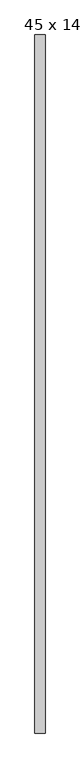
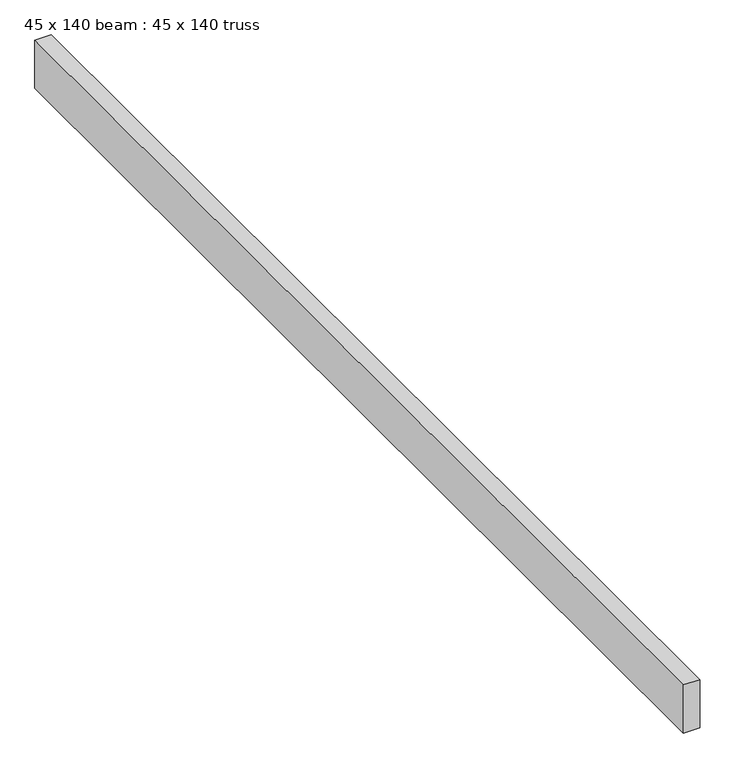
"""IFC4 building model written with IfcOpenShell, lengths in millimetres: proxy geometry, 45 x 140 beam : 45 x 140 truss."""

import ifcopenshell
import ifcopenshell.guid

model = None  # the IFC model being written
_history = None  # IfcOwnerHistory: only IFC2X3 demands one
_inside = {}  # id of a spatial element -> (the spatial element, [elements in it])
_under = {}  # id of a project, library or spatial element -> (it, [spatial elements below it])
_declared = {}  # id of a project -> (the project, [libraries it declares])
_typed = {}  # id of a type object -> (the type object, [elements of that type])
_made_of = {}  # id of a material, layer set ... -> (it, [elements and type objects made of it])


def new_model(schema):
    """Start an empty IFC model of exactly this schema.

    Asked for "IFC4X3", IfcOpenShell would pick the latest addendum, in which some entities
    have other attributes; the version numbers below select the first issue.
    IFC2X3 requires an IfcOwnerHistory on every rooted entity: one is made here for all.
    """
    global model, _history
    if schema == "IFC4X3":
        model = ifcopenshell.file(schema_version=(4, 3, 0, 0))
    else:
        model = ifcopenshell.file(schema=schema)
    _inside.clear()
    _under.clear()
    _declared.clear()
    _typed.clear()
    _made_of.clear()
    _history = None
    if model.schema == "IFC2X3":
        org = make("IfcOrganization", Name="unknown")
        user = make(
            "IfcPersonAndOrganization",
            ThePerson=make("IfcPerson", FamilyName="unknown"),
            TheOrganization=org,
        )
        app = make(
            "IfcApplication",
            ApplicationDeveloper=org,
            Version="unknown",
            ApplicationFullName="unknown",
            ApplicationIdentifier="unknown",
        )
        _history = make(
            "IfcOwnerHistory",
            OwningUser=user,
            OwningApplication=app,
            ChangeAction="ADDED",
            CreationDate=0,
        )
    return model


def make(cls, **values):
    """One entity of the class cls with the attributes given. An attribute that is None is left unset."""
    return model.create_entity(
        cls, **{name: value for name, value in values.items() if value is not None}
    )


def rooted(cls, **values):
    """An entity with a GlobalId (a new one), such as an element, a storey or a relation."""
    return make(cls, GlobalId=ifcopenshell.guid.new(), OwnerHistory=_history, **values)


def si_unit(unit_type, name, prefix=None):
    """IfcSIUnit, for example si_unit("LENGTHUNIT", "METRE", prefix="MILLI")."""
    return make("IfcSIUnit", UnitType=unit_type, Prefix=prefix, Name=name)


def assignment(units):
    """IfcUnitAssignment: the units of a project."""
    return None if units is None else make("IfcUnitAssignment", Units=units)


def point(xyz):
    """IfcCartesianPoint."""
    return None if xyz is None else make("IfcCartesianPoint", Coordinates=xyz)


def direction(xyz):
    """IfcDirection."""
    return None if xyz is None else make("IfcDirection", DirectionRatios=xyz)


def frame(location, z_axis=None, x_axis=None):
    """IfcAxis2Placement3D, a coordinate frame: its origin and axes. An axis left out is left unset."""
    return make(
        "IfcAxis2Placement3D",
        Location=point(location),
        Axis=direction(z_axis),
        RefDirection=direction(x_axis),
    )


def origin():
    """The frame at (0, 0, 0) with its axes left unset."""
    return frame((0.0, 0.0, 0.0))


def place(relative_to, where):
    """IfcLocalPlacement: puts the frame where relative to a parent placement (None: the world)."""
    return make(
        "IfcLocalPlacement", PlacementRelTo=relative_to, RelativePlacement=where
    )


def context(
    kind, dimensions, precision=None, world=None, true_north=None, identifier=None
):
    """IfcGeometricRepresentationContext, for example the 3D "Model" context."""
    return make(
        "IfcGeometricRepresentationContext",
        ContextIdentifier=identifier,
        ContextType=kind,
        CoordinateSpaceDimension=dimensions,
        Precision=precision,
        WorldCoordinateSystem=world,
        TrueNorth=true_north,
    )


def project(units=None, contexts=None):
    """IfcProject with its units and contexts."""
    return rooted(
        "IfcProject",
        Name="project",
        RepresentationContexts=contexts,
        UnitsInContext=assignment(units),
    )


def spatial(cls, under=None, at=None, **own):
    """A site, building, storey or space (cls), placed at a placement, below another one or the project."""
    s = rooted(cls, ObjectPlacement=at, **own)
    if under is not None:
        _under.setdefault(under.id(), (under, []))[1].append(s)
    return s


def polyline(points):
    """IfcPolyline through the points."""
    return make("IfcPolyline", Points=[point(p) for p in points])


def outline(outer, holes=None, kind="AREA"):
    """IfcArbitraryClosedProfileDef: a profile drawn as a closed curve; with holes, ...WithVoids."""
    if holes is None:
        return make("IfcArbitraryClosedProfileDef", ProfileType=kind, OuterCurve=outer)
    return make(
        "IfcArbitraryProfileDefWithVoids",
        ProfileType=kind,
        OuterCurve=outer,
        InnerCurves=holes,
    )


def extrude(swept, where, along, depth):
    """IfcExtrudedAreaSolid: the profile swept, set in the frame where, extruded along a direction by depth."""
    return make(
        "IfcExtrudedAreaSolid",
        SweptArea=swept,
        Position=where,
        ExtrudedDirection=direction(along),
        Depth=depth,
    )


def shape(context_of_items, identifier, shape_type, items):
    """IfcShapeRepresentation: the items that make up one representation, for example the "Body"."""
    return make(
        "IfcShapeRepresentation",
        ContextOfItems=context_of_items,
        RepresentationIdentifier=identifier,
        RepresentationType=shape_type,
        Items=items,
    )


def source(mapping_origin, context_of_items, identifier, shape_type, items):
    """IfcRepresentationMap: a shape defined once, which mapped items show again and again."""
    return make(
        "IfcRepresentationMap",
        MappingOrigin=mapping_origin,
        MappedRepresentation=shape(context_of_items, identifier, shape_type, items),
    )


def transform(
    local_origin,
    x_axis=None,
    y_axis=None,
    z_axis=None,
    scale=None,
    scale2=None,
    scale3=None,
    uniform=True,
):
    """IfcCartesianTransformationOperator3D, or its non-uniform kind. x_axis, y_axis, z_axis: its Axis1, 2, 3."""
    if uniform:
        return make(
            "IfcCartesianTransformationOperator3D",
            Axis1=direction(x_axis),
            Axis2=direction(y_axis),
            LocalOrigin=point(local_origin),
            Scale=scale,
            Axis3=direction(z_axis),
        )
    return make(
        "IfcCartesianTransformationOperator3DnonUniform",
        Axis1=direction(x_axis),
        Axis2=direction(y_axis),
        LocalOrigin=point(local_origin),
        Scale=scale,
        Axis3=direction(z_axis),
        Scale2=scale2,
        Scale3=scale3,
    )


def mapped(mapping_source, mapping_target):
    """IfcMappedItem: shows the shape of a source again, moved by a transform."""
    return make(
        "IfcMappedItem", MappingSource=mapping_source, MappingTarget=mapping_target
    )


def made_of(thing, what):
    """Note that an element or type object is made of a material, layer set ...; save() writes the relation."""
    if what is not None:
        _made_of.setdefault(what.id(), (what, []))[1].append(thing)
    return thing


def element(
    cls,
    number,
    at=None,
    inside=None,
    cuts=None,
    type_object=None,
    material=None,
    context=None,
    identifier="Body",
    shape_type=None,
    held_by="IfcProductDefinitionShape",
    body=None,
    shapes=None,
    **own,
):
    """One element of the class cls, such as IfcWall. Its Tag is "e" and its number.

    at: its placement. inside: the storey or other place that contains it. cuts: it is an
    opening in that element (IfcRelVoidsElement). A single representation is given by context,
    identifier, shape_type and body (its items); several are given by shapes. held_by: the class
    of the entity that holds the representations. save() writes the other relations.
    """
    e = rooted(cls, Tag="e%d" % number, ObjectPlacement=at, **own)
    if body is not None:
        shapes = [shape(context, identifier, shape_type, body)]
    if shapes is not None:
        e.Representation = make(held_by, Representations=shapes)
    if inside is not None:
        _inside.setdefault(inside.id(), (inside, []))[1].append(e)
    if cuts is not None:
        rooted(
            "IfcRelVoidsElement", RelatingBuildingElement=cuts, RelatedOpeningElement=e
        )
    if type_object is not None:
        _typed.setdefault(type_object.id(), (type_object, []))[1].append(e)
    return made_of(e, material)


def aggregate(whole, parts):
    """IfcRelAggregates: a whole, such as a stair, and the parts it consists of."""
    return rooted("IfcRelAggregates", RelatingObject=whole, RelatedObjects=parts)


def save(model, path):
    """Write the relations noted so far, then the file.

    IfcRelAggregates (storeys below a building ...), IfcRelContainedInSpatialStructure (elements
    in a storey), IfcRelDefinesByType, IfcRelAssociatesMaterial and IfcRelDeclares: one each for
    every whole, place, type object, material and project.
    """
    for whole, parts in _under.values():
        aggregate(whole, parts)
    for where, things in _inside.values():
        rooted(
            "IfcRelContainedInSpatialStructure",
            RelatedElements=things,
            RelatingStructure=where,
        )
    for kind, things in _typed.values():
        rooted("IfcRelDefinesByType", RelatedObjects=things, RelatingType=kind)
    for what, things in _made_of.values():
        rooted("IfcRelAssociatesMaterial", RelatedObjects=things, RelatingMaterial=what)
    for by, libraries in _declared.values():
        rooted("IfcRelDeclares", RelatingContext=by, RelatedDefinitions=libraries)
    model.write(path)


def proxy_45_x_140_beam_45_x_140_truss_92118198(model_context):
    return source(origin(), model_context, "Body", "SweptSolid", [
        extrude(outline(polyline([(-11584.1372223, -1297.2639474), (-11629.1372223, -1297.2639474), (-11629.1372223, 1792.7360526), (-11584.1372223, 1792.7360526), (-11584.1372223, -1297.2639474)])), frame((0.0, 0.0, 3644.2452806), z_axis=(0.0, 0.0, 1.0), x_axis=(1.0, 0.0, 0.0)), (0.0, 0.0, 1.0), 140.0),
    ])


if __name__ == "__main__":
    model = new_model("IFC4")
    model_context = context("Model", 3, world=origin())
    ifc_project = project(units=[si_unit("LENGTHUNIT", "METRE", prefix="MILLI")], contexts=[model_context])
    site = spatial("IfcSite", under=ifc_project)
    building = spatial("IfcBuilding", under=site)
    placement = place(None, origin())
    proxy_45_x_140_beam_45_x_140_truss_shape = proxy_45_x_140_beam_45_x_140_truss_92118198(model_context)
    element("IfcBuildingElementProxy", 1, Name="45 x 140 beam : 45 x 140 truss", ObjectType="45 x 140 beam : 45 x 140 truss", at=placement, inside=building, context=model_context, shape_type="MappedRepresentation", body=[
        mapped(proxy_45_x_140_beam_45_x_140_truss_shape, transform((0.0, 0.0, 0.0), x_axis=(1.0, 0.0, 0.0), y_axis=(0.0, 1.0, 0.0), z_axis=(0.0, 0.0, 1.0))),
    ])
    save(model, "model.ifc")
